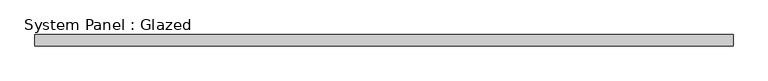
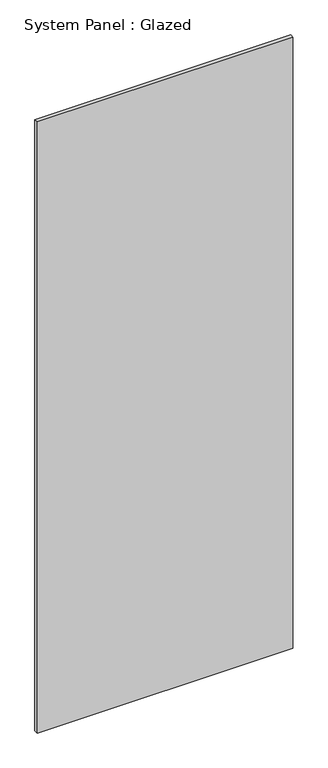
"""IFC4 building model written with IfcOpenShell, lengths in millimetres: plate geometry, System Panel : Glazed."""

from ifc_helpers import new_model, si_unit, origin, origin_with_axes, place, context, project, spatial, polyline, outline, extrude, source, transform, mapped, element, save


def system_panel_glazed_e52231df(model_context):
    return source(origin(), model_context, "Body", "SweptSolid", [
        extrude(outline(polyline([(781.562846, 24.5), (-781.562846, 24.5), (-781.562846, 49.5), (781.562846, 49.5), (781.562846, 24.5)])), origin_with_axes(), (0.0, 0.0, 1.0), 3950.0),
    ])


if __name__ == "__main__":
    model = new_model("IFC4")
    model_context = context("Model", 3, world=origin())
    ifc_project = project(units=[si_unit("LENGTHUNIT", "METRE", prefix="MILLI")], contexts=[model_context])
    site = spatial("IfcSite", under=ifc_project)
    building = spatial("IfcBuilding", under=site)
    placement = place(None, origin())
    system_panel_glazed_shape = system_panel_glazed_e52231df(model_context)
    element("IfcPlate", 1, ObjectType="System Panel : Glazed", at=placement, inside=building, context=model_context, shape_type="MappedRepresentation", body=[
        mapped(system_panel_glazed_shape, transform((0.0, 0.0, 0.0), x_axis=(1.0, 0.0, 0.0), y_axis=(0.0, 1.0, 0.0), z_axis=(0.0, 0.0, 1.0))),
    ])
    save(model, "model.ifc")
